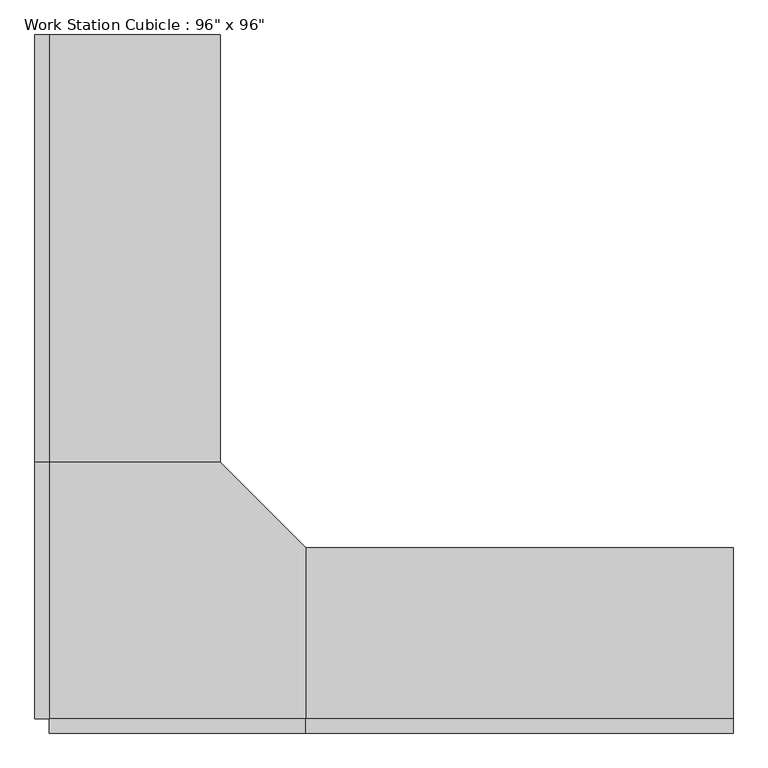
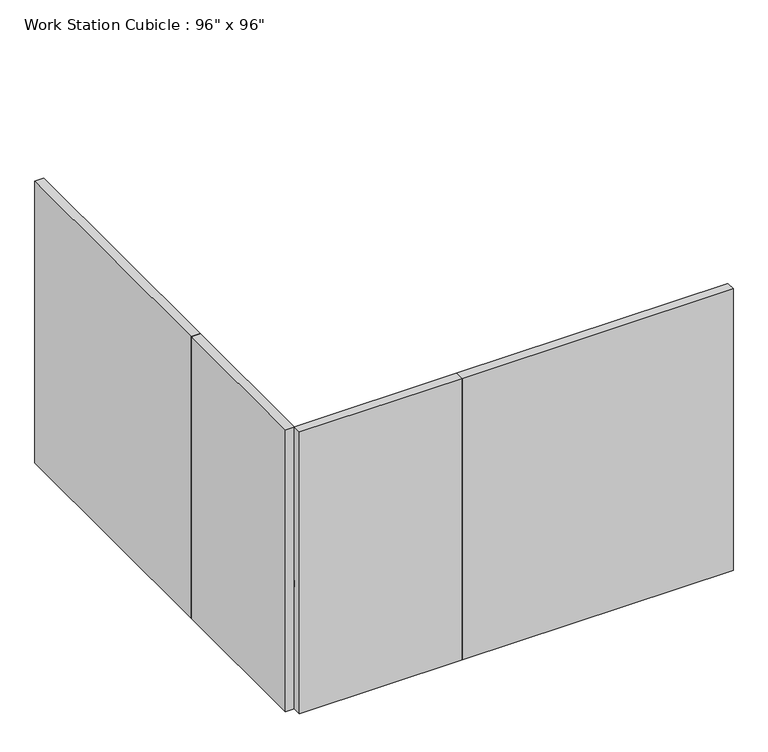
"""IFC4 building model written with IfcOpenShell, lengths in millimetres: furniture geometry."""

from ifc_helpers import new_model, si_unit, frame, origin, origin_with_axes, place, context, project, spatial, polyline, outline, extrude, source, transform, mapped, element, save


def furniture_7b33082a(model_context):
    return source(origin(), model_context, "Body", "SweptSolid", [
        extrude(outline(polyline([(-80.9317522, 545.8230076), (-80.9317522, 1460.2230076), (528.6682478, 1460.2230076), (833.4682478, 1155.4230076), (833.4682478, 545.8230076), (-80.9317522, 545.8230076)])), frame((0.0, 0.0, 723.9), z_axis=(0.0, 0.0, 1.0), x_axis=(1.0, 0.0, 0.0)), (0.0, 0.0, 1.0), 38.1),
        extrude(outline(polyline([(528.6682478, 2984.2230076), (528.6682478, 1460.2230076), (-80.9317522, 1460.2230076), (-80.9317522, 2984.2230076), (528.6682478, 2984.2230076)])), frame((0.0, 0.0, 723.9), z_axis=(0.0, 0.0, 1.0), x_axis=(1.0, 0.0, 0.0)), (0.0, 0.0, 1.0), 38.1),
        extrude(outline(polyline([(2357.4682478, 1155.4230076), (2357.4682478, 545.8230076), (833.4682478, 545.8230076), (833.4682478, 1155.4230076), (2357.4682478, 1155.4230076)])), frame((0.0, 0.0, 723.9), z_axis=(0.0, 0.0, 1.0), x_axis=(1.0, 0.0, 0.0)), (0.0, 0.0, 1.0), 38.1),
        extrude(outline(polyline([(2357.4682478, 545.8230076), (2357.4682478, 495.0230076), (833.4682478, 495.0230076), (833.4682478, 545.8230076), (2357.4682478, 545.8230076)])), origin_with_axes(), (0.0, 0.0, 1.0), 1676.4),
        extrude(outline(polyline([(833.4682478, 545.8230076), (833.4682478, 495.0230076), (-80.9317522, 495.0230076), (-80.9317522, 545.8230076), (833.4682478, 545.8230076)])), origin_with_axes(), (0.0, 0.0, 1.0), 1676.4),
        extrude(outline(polyline([(-80.9317522, 1460.2230076), (-80.9317522, 545.8230076), (-131.7317522, 545.8230076), (-131.7317522, 1460.2230076), (-80.9317522, 1460.2230076)])), origin_with_axes(), (0.0, 0.0, 1.0), 1676.4),
        extrude(outline(polyline([(-80.9317522, 2984.2230076), (-80.9317522, 1460.2230076), (-131.7317522, 1460.2230076), (-131.7317522, 2984.2230076), (-80.9317522, 2984.2230076)])), origin_with_axes(), (0.0, 0.0, 1.0), 1676.4),
    ])


if __name__ == "__main__":
    model = new_model("IFC4")
    model_context = context("Model", 3, world=origin())
    ifc_project = project(units=[si_unit("LENGTHUNIT", "METRE", prefix="MILLI")], contexts=[model_context])
    site = spatial("IfcSite", under=ifc_project)
    building = spatial("IfcBuilding", under=site)
    placement = place(None, origin())
    furniture_shape = furniture_7b33082a(model_context)
    element("IfcFurniture", 1, ObjectType="Work Station Cubicle : 96\" x 96\"", at=placement, inside=building, context=model_context, shape_type="MappedRepresentation", body=[
        mapped(furniture_shape, transform((0.0, 0.0, 0.0), x_axis=(1.0, 0.0, 0.0), y_axis=(0.0, 1.0, 0.0), z_axis=(0.0, 0.0, 1.0))),
    ])
    save(model, "model.ifc")
